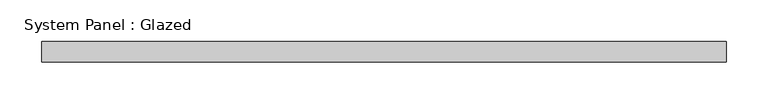
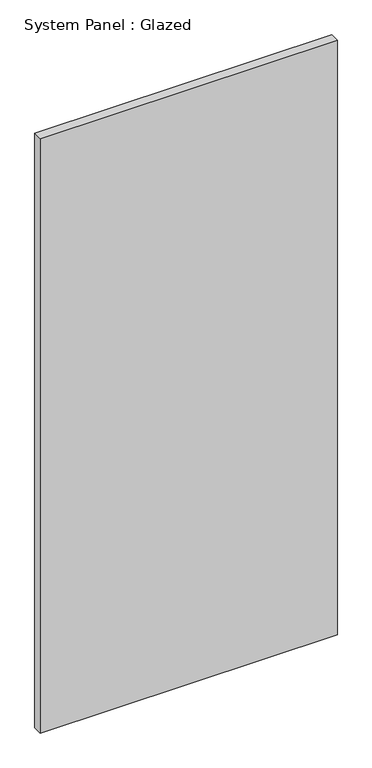
"""IFC4 building model written with IfcOpenShell, lengths in millimetres: plate geometry, System Panel : Glazed."""

from ifc_helpers import new_model, si_unit, origin, origin_with_axes, place, context, project, spatial, polyline, outline, extrude, source, transform, mapped, element, save


def system_panel_glazed_590e3af4(model_context):
    return source(origin(), model_context, "Body", "SweptSolid", [
        extrude(outline(polyline([(412.5, 24.5), (-412.5, 24.5), (-412.5, 49.5), (412.5, 49.5), (412.5, 24.5)])), origin_with_axes(), (0.0, 0.0, 1.0), 1743.3333333),
    ])


if __name__ == "__main__":
    model = new_model("IFC4")
    model_context = context("Model", 3, world=origin())
    ifc_project = project(units=[si_unit("LENGTHUNIT", "METRE", prefix="MILLI")], contexts=[model_context])
    site = spatial("IfcSite", under=ifc_project)
    building = spatial("IfcBuilding", under=site)
    placement = place(None, origin())
    system_panel_glazed_shape = system_panel_glazed_590e3af4(model_context)
    element("IfcPlate", 1, ObjectType="System Panel : Glazed", at=placement, inside=building, context=model_context, shape_type="MappedRepresentation", body=[
        mapped(system_panel_glazed_shape, transform((0.0, 0.0, 0.0), x_axis=(1.0, 0.0, 0.0), y_axis=(0.0, 1.0, 0.0), z_axis=(0.0, 0.0, 1.0))),
    ])
    save(model, "model.ifc")
